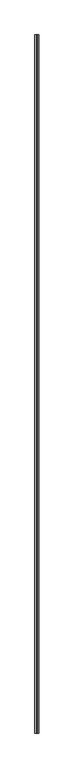
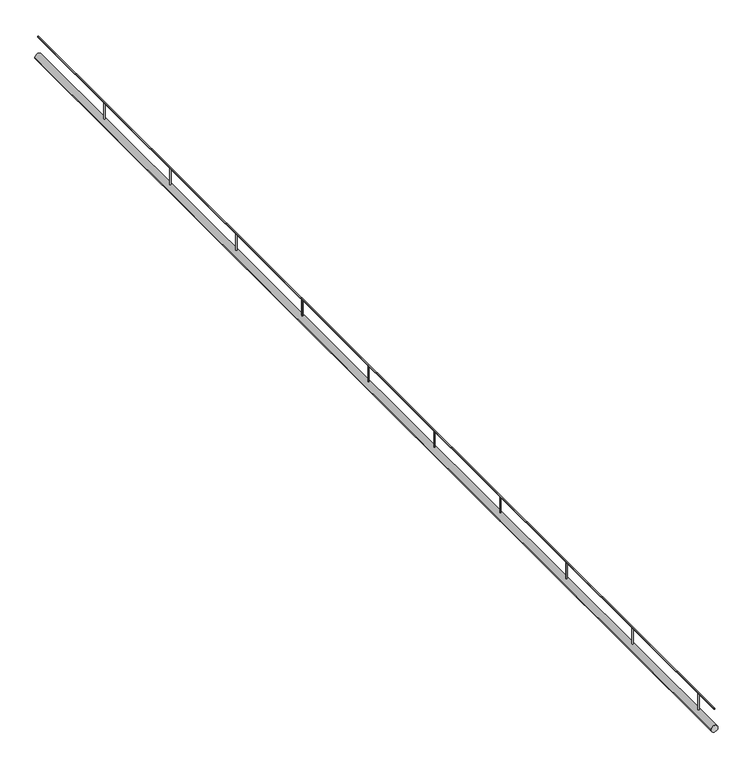
"""IFC4 building model written with IfcOpenShell, lengths in millimetres: railing geometry."""

import ifcopenshell
import ifcopenshell.guid

model = None  # the IFC model being written
_history = None  # IfcOwnerHistory: only IFC2X3 demands one
_inside = {}  # id of a spatial element -> (the spatial element, [elements in it])
_under = {}  # id of a project, library or spatial element -> (it, [spatial elements below it])
_declared = {}  # id of a project -> (the project, [libraries it declares])
_typed = {}  # id of a type object -> (the type object, [elements of that type])
_made_of = {}  # id of a material, layer set ... -> (it, [elements and type objects made of it])


def new_model(schema):
    """Start an empty IFC model of exactly this schema.

    Asked for "IFC4X3", IfcOpenShell would pick the latest addendum, in which some entities
    have other attributes; the version numbers below select the first issue.
    IFC2X3 requires an IfcOwnerHistory on every rooted entity: one is made here for all.
    """
    global model, _history
    if schema == "IFC4X3":
        model = ifcopenshell.file(schema_version=(4, 3, 0, 0))
    else:
        model = ifcopenshell.file(schema=schema)
    _inside.clear()
    _under.clear()
    _declared.clear()
    _typed.clear()
    _made_of.clear()
    _history = None
    if model.schema == "IFC2X3":
        org = make("IfcOrganization", Name="unknown")
        user = make(
            "IfcPersonAndOrganization",
            ThePerson=make("IfcPerson", FamilyName="unknown"),
            TheOrganization=org,
        )
        app = make(
            "IfcApplication",
            ApplicationDeveloper=org,
            Version="unknown",
            ApplicationFullName="unknown",
            ApplicationIdentifier="unknown",
        )
        _history = make(
            "IfcOwnerHistory",
            OwningUser=user,
            OwningApplication=app,
            ChangeAction="ADDED",
            CreationDate=0,
        )
    return model


def make(cls, **values):
    """One entity of the class cls with the attributes given. An attribute that is None is left unset."""
    return model.create_entity(
        cls, **{name: value for name, value in values.items() if value is not None}
    )


def rooted(cls, **values):
    """An entity with a GlobalId (a new one), such as an element, a storey or a relation."""
    return make(cls, GlobalId=ifcopenshell.guid.new(), OwnerHistory=_history, **values)


def si_unit(unit_type, name, prefix=None):
    """IfcSIUnit, for example si_unit("LENGTHUNIT", "METRE", prefix="MILLI")."""
    return make("IfcSIUnit", UnitType=unit_type, Prefix=prefix, Name=name)


def assignment(units):
    """IfcUnitAssignment: the units of a project."""
    return None if units is None else make("IfcUnitAssignment", Units=units)


def point(xyz):
    """IfcCartesianPoint."""
    return None if xyz is None else make("IfcCartesianPoint", Coordinates=xyz)


def direction(xyz):
    """IfcDirection."""
    return None if xyz is None else make("IfcDirection", DirectionRatios=xyz)


def frame(location, z_axis=None, x_axis=None):
    """IfcAxis2Placement3D, a coordinate frame: its origin and axes. An axis left out is left unset."""
    return make(
        "IfcAxis2Placement3D",
        Location=point(location),
        Axis=direction(z_axis),
        RefDirection=direction(x_axis),
    )


def frame_2d(location, x_axis=None):
    """IfcAxis2Placement2D, a coordinate frame in the plane: its origin and x axis."""
    return make(
        "IfcAxis2Placement2D", Location=point(location), RefDirection=direction(x_axis)
    )


def origin():
    """The frame at (0, 0, 0) with its axes left unset."""
    return frame((0.0, 0.0, 0.0))


def place(relative_to, where):
    """IfcLocalPlacement: puts the frame where relative to a parent placement (None: the world)."""
    return make(
        "IfcLocalPlacement", PlacementRelTo=relative_to, RelativePlacement=where
    )


def context(
    kind, dimensions, precision=None, world=None, true_north=None, identifier=None
):
    """IfcGeometricRepresentationContext, for example the 3D "Model" context."""
    return make(
        "IfcGeometricRepresentationContext",
        ContextIdentifier=identifier,
        ContextType=kind,
        CoordinateSpaceDimension=dimensions,
        Precision=precision,
        WorldCoordinateSystem=world,
        TrueNorth=true_north,
    )


def project(units=None, contexts=None):
    """IfcProject with its units and contexts."""
    return rooted(
        "IfcProject",
        Name="project",
        RepresentationContexts=contexts,
        UnitsInContext=assignment(units),
    )


def spatial(cls, under=None, at=None, **own):
    """A site, building, storey or space (cls), placed at a placement, below another one or the project."""
    s = rooted(cls, ObjectPlacement=at, **own)
    if under is not None:
        _under.setdefault(under.id(), (under, []))[1].append(s)
    return s


def circle_curve(where, radius):
    """IfcCircle in the frame where."""
    return make("IfcCircle", Position=where, Radius=radius)


def trimmed(basis, trim1, trim2, sense, master):
    """IfcTrimmedCurve: the piece of a basis curve between two trims."""
    return make(
        "IfcTrimmedCurve",
        BasisCurve=basis,
        Trim1=trim1,
        Trim2=trim2,
        SenseAgreement=sense,
        MasterRepresentation=master,
    )


def segment(curve, same_sense, transition):
    """IfcCompositeCurveSegment."""
    return make(
        "IfcCompositeCurveSegment",
        Transition=transition,
        SameSense=same_sense,
        ParentCurve=curve,
    )


def composite_curve(segments, self_intersect=None):
    """IfcCompositeCurve: segments joined end to end."""
    return make("IfcCompositeCurve", Segments=segments, SelfIntersect=self_intersect)


def outline(outer, holes=None, kind="AREA"):
    """IfcArbitraryClosedProfileDef: a profile drawn as a closed curve; with holes, ...WithVoids."""
    if holes is None:
        return make("IfcArbitraryClosedProfileDef", ProfileType=kind, OuterCurve=outer)
    return make(
        "IfcArbitraryProfileDefWithVoids",
        ProfileType=kind,
        OuterCurve=outer,
        InnerCurves=holes,
    )


def extrude(swept, where, along, depth):
    """IfcExtrudedAreaSolid: the profile swept, set in the frame where, extruded along a direction by depth."""
    return make(
        "IfcExtrudedAreaSolid",
        SweptArea=swept,
        Position=where,
        ExtrudedDirection=direction(along),
        Depth=depth,
    )


def shape(context_of_items, identifier, shape_type, items):
    """IfcShapeRepresentation: the items that make up one representation, for example the "Body"."""
    return make(
        "IfcShapeRepresentation",
        ContextOfItems=context_of_items,
        RepresentationIdentifier=identifier,
        RepresentationType=shape_type,
        Items=items,
    )


def source(mapping_origin, context_of_items, identifier, shape_type, items):
    """IfcRepresentationMap: a shape defined once, which mapped items show again and again."""
    return make(
        "IfcRepresentationMap",
        MappingOrigin=mapping_origin,
        MappedRepresentation=shape(context_of_items, identifier, shape_type, items),
    )


def transform(
    local_origin,
    x_axis=None,
    y_axis=None,
    z_axis=None,
    scale=None,
    scale2=None,
    scale3=None,
    uniform=True,
):
    """IfcCartesianTransformationOperator3D, or its non-uniform kind. x_axis, y_axis, z_axis: its Axis1, 2, 3."""
    if uniform:
        return make(
            "IfcCartesianTransformationOperator3D",
            Axis1=direction(x_axis),
            Axis2=direction(y_axis),
            LocalOrigin=point(local_origin),
            Scale=scale,
            Axis3=direction(z_axis),
        )
    return make(
        "IfcCartesianTransformationOperator3DnonUniform",
        Axis1=direction(x_axis),
        Axis2=direction(y_axis),
        LocalOrigin=point(local_origin),
        Scale=scale,
        Axis3=direction(z_axis),
        Scale2=scale2,
        Scale3=scale3,
    )


def mapped(mapping_source, mapping_target):
    """IfcMappedItem: shows the shape of a source again, moved by a transform."""
    return make(
        "IfcMappedItem", MappingSource=mapping_source, MappingTarget=mapping_target
    )


def made_of(thing, what):
    """Note that an element or type object is made of a material, layer set ...; save() writes the relation."""
    if what is not None:
        _made_of.setdefault(what.id(), (what, []))[1].append(thing)
    return thing


def element(
    cls,
    number,
    at=None,
    inside=None,
    cuts=None,
    type_object=None,
    material=None,
    context=None,
    identifier="Body",
    shape_type=None,
    held_by="IfcProductDefinitionShape",
    body=None,
    shapes=None,
    **own,
):
    """One element of the class cls, such as IfcWall. Its Tag is "e" and its number.

    at: its placement. inside: the storey or other place that contains it. cuts: it is an
    opening in that element (IfcRelVoidsElement). A single representation is given by context,
    identifier, shape_type and body (its items); several are given by shapes. held_by: the class
    of the entity that holds the representations. save() writes the other relations.
    """
    e = rooted(cls, Tag="e%d" % number, ObjectPlacement=at, **own)
    if body is not None:
        shapes = [shape(context, identifier, shape_type, body)]
    if shapes is not None:
        e.Representation = make(held_by, Representations=shapes)
    if inside is not None:
        _inside.setdefault(inside.id(), (inside, []))[1].append(e)
    if cuts is not None:
        rooted(
            "IfcRelVoidsElement", RelatingBuildingElement=cuts, RelatedOpeningElement=e
        )
    if type_object is not None:
        _typed.setdefault(type_object.id(), (type_object, []))[1].append(e)
    return made_of(e, material)


def aggregate(whole, parts):
    """IfcRelAggregates: a whole, such as a stair, and the parts it consists of."""
    return rooted("IfcRelAggregates", RelatingObject=whole, RelatedObjects=parts)


def save(model, path):
    """Write the relations noted so far, then the file.

    IfcRelAggregates (storeys below a building ...), IfcRelContainedInSpatialStructure (elements
    in a storey), IfcRelDefinesByType, IfcRelAssociatesMaterial and IfcRelDeclares: one each for
    every whole, place, type object, material and project.
    """
    for whole, parts in _under.values():
        aggregate(whole, parts)
    for where, things in _inside.values():
        rooted(
            "IfcRelContainedInSpatialStructure",
            RelatedElements=things,
            RelatingStructure=where,
        )
    for kind, things in _typed.values():
        rooted("IfcRelDefinesByType", RelatedObjects=things, RelatingType=kind)
    for what, things in _made_of.values():
        rooted("IfcRelAssociatesMaterial", RelatedObjects=things, RelatingMaterial=what)
    for by, libraries in _declared.values():
        rooted("IfcRelDeclares", RelatingContext=by, RelatedDefinitions=libraries)
    model.write(path)


def railing_df406124(model_context):
    return source(origin(), model_context, "Body", "SweptSolid", [
        extrude(outline(composite_curve([segment(trimmed(circle_curve(frame_2d((2505.0, -9899.2023526)), 15.0), [point((2505.0, -9884.2023526))], [point((2505.0, -9914.2023526))], False, "CARTESIAN"), True, "CONTINUOUS"), segment(trimmed(circle_curve(frame_2d((2505.0, -9899.2023526)), 15.0), [point((2505.0, -9914.2023526))], [point((2505.0, -9884.2023526))], False, "CARTESIAN"), True, "CONTINUOUS")], self_intersect=False)), frame((0.0, 30196.8064288, 0.0), z_axis=(0.0, 1.0, 0.0), x_axis=(0.0, 0.0, 1.0)), (0.0, 0.0, 1.0), 5120.0),
        extrude(outline(composite_curve([segment(trimmed(circle_curve(frame_2d((2597.5, -9899.2023526)), 2.5), [point((2597.5, -9896.7023526))], [point((2597.5, -9901.7023526))], False, "CARTESIAN"), True, "CONTINUOUS"), segment(trimmed(circle_curve(frame_2d((2597.5, -9899.2023526)), 2.5), [point((2597.5, -9901.7023526))], [point((2597.5, -9896.7023526))], False, "CARTESIAN"), True, "CONTINUOUS")], self_intersect=False)), frame((0.0, 30196.8064288, 0.0), z_axis=(0.0, 1.0, 0.0), x_axis=(0.0, 0.0, 1.0)), (0.0, 0.0, 1.0), 5120.0),
        extrude(outline(composite_curve([segment(trimmed(circle_curve(frame_2d((-9899.2023526, 30316.8064288)), 2.5), [point((-9896.7023526, 30316.8064288))], [point((-9901.7023526, 30316.8064288))], False, "CARTESIAN"), True, "CONTINUOUS"), segment(trimmed(circle_curve(frame_2d((-9899.2023526, 30316.8064288)), 2.5), [point((-9901.7023526, 30316.8064288))], [point((-9896.7023526, 30316.8064288))], False, "CARTESIAN"), True, "CONTINUOUS")], self_intersect=False)), frame((0.0, 0.0, 2520.0), z_axis=(0.0, 0.0, 1.0), x_axis=(1.0, 0.0, 0.0)), (0.0, 0.0, 1.0), 75.0),
        extrude(outline(composite_curve([segment(trimmed(circle_curve(frame_2d((-9899.2023526, 30816.8064288)), 2.5), [point((-9896.7023526, 30816.8064288))], [point((-9901.7023526, 30816.8064288))], False, "CARTESIAN"), True, "CONTINUOUS"), segment(trimmed(circle_curve(frame_2d((-9899.2023526, 30816.8064288)), 2.5), [point((-9901.7023526, 30816.8064288))], [point((-9896.7023526, 30816.8064288))], False, "CARTESIAN"), True, "CONTINUOUS")], self_intersect=False)), frame((0.0, 0.0, 2520.0), z_axis=(0.0, 0.0, 1.0), x_axis=(1.0, 0.0, 0.0)), (0.0, 0.0, 1.0), 75.0),
        extrude(outline(composite_curve([segment(trimmed(circle_curve(frame_2d((-9899.2023526, 31316.8064288)), 2.5), [point((-9896.7023526, 31316.8064288))], [point((-9901.7023526, 31316.8064288))], False, "CARTESIAN"), True, "CONTINUOUS"), segment(trimmed(circle_curve(frame_2d((-9899.2023526, 31316.8064288)), 2.5), [point((-9901.7023526, 31316.8064288))], [point((-9896.7023526, 31316.8064288))], False, "CARTESIAN"), True, "CONTINUOUS")], self_intersect=False)), frame((0.0, 0.0, 2520.0), z_axis=(0.0, 0.0, 1.0), x_axis=(1.0, 0.0, 0.0)), (0.0, 0.0, 1.0), 75.0),
        extrude(outline(composite_curve([segment(trimmed(circle_curve(frame_2d((-9899.2023526, 31816.8064288)), 2.5), [point((-9896.7023526, 31816.8064288))], [point((-9901.7023526, 31816.8064288))], False, "CARTESIAN"), True, "CONTINUOUS"), segment(trimmed(circle_curve(frame_2d((-9899.2023526, 31816.8064288)), 2.5), [point((-9901.7023526, 31816.8064288))], [point((-9896.7023526, 31816.8064288))], False, "CARTESIAN"), True, "CONTINUOUS")], self_intersect=False)), frame((0.0, 0.0, 2520.0), z_axis=(0.0, 0.0, 1.0), x_axis=(1.0, 0.0, 0.0)), (0.0, 0.0, 1.0), 75.0),
        extrude(outline(composite_curve([segment(trimmed(circle_curve(frame_2d((-9899.2023526, 32316.8064288)), 2.5), [point((-9896.7023526, 32316.8064288))], [point((-9901.7023526, 32316.8064288))], False, "CARTESIAN"), True, "CONTINUOUS"), segment(trimmed(circle_curve(frame_2d((-9899.2023526, 32316.8064288)), 2.5), [point((-9901.7023526, 32316.8064288))], [point((-9896.7023526, 32316.8064288))], False, "CARTESIAN"), True, "CONTINUOUS")], self_intersect=False)), frame((0.0, 0.0, 2520.0), z_axis=(0.0, 0.0, 1.0), x_axis=(1.0, 0.0, 0.0)), (0.0, 0.0, 1.0), 75.0),
        extrude(outline(composite_curve([segment(trimmed(circle_curve(frame_2d((-9899.2023526, 32816.8064288)), 2.5), [point((-9896.7023526, 32816.8064288))], [point((-9901.7023526, 32816.8064288))], False, "CARTESIAN"), True, "CONTINUOUS"), segment(trimmed(circle_curve(frame_2d((-9899.2023526, 32816.8064288)), 2.5), [point((-9901.7023526, 32816.8064288))], [point((-9896.7023526, 32816.8064288))], False, "CARTESIAN"), True, "CONTINUOUS")], self_intersect=False)), frame((0.0, 0.0, 2520.0), z_axis=(0.0, 0.0, 1.0), x_axis=(1.0, 0.0, 0.0)), (0.0, 0.0, 1.0), 75.0),
        extrude(outline(composite_curve([segment(trimmed(circle_curve(frame_2d((-9899.2023526, 33316.8064288)), 2.5), [point((-9896.7023526, 33316.8064288))], [point((-9901.7023526, 33316.8064288))], False, "CARTESIAN"), True, "CONTINUOUS"), segment(trimmed(circle_curve(frame_2d((-9899.2023526, 33316.8064288)), 2.5), [point((-9901.7023526, 33316.8064288))], [point((-9896.7023526, 33316.8064288))], False, "CARTESIAN"), True, "CONTINUOUS")], self_intersect=False)), frame((0.0, 0.0, 2520.0), z_axis=(0.0, 0.0, 1.0), x_axis=(1.0, 0.0, 0.0)), (0.0, 0.0, 1.0), 75.0),
        extrude(outline(composite_curve([segment(trimmed(circle_curve(frame_2d((-9899.2023526, 33816.8064288)), 2.5), [point((-9896.7023526, 33816.8064288))], [point((-9901.7023526, 33816.8064288))], False, "CARTESIAN"), True, "CONTINUOUS"), segment(trimmed(circle_curve(frame_2d((-9899.2023526, 33816.8064288)), 2.5), [point((-9901.7023526, 33816.8064288))], [point((-9896.7023526, 33816.8064288))], False, "CARTESIAN"), True, "CONTINUOUS")], self_intersect=False)), frame((0.0, 0.0, 2520.0), z_axis=(0.0, 0.0, 1.0), x_axis=(1.0, 0.0, 0.0)), (0.0, 0.0, 1.0), 75.0),
        extrude(outline(composite_curve([segment(trimmed(circle_curve(frame_2d((-9899.2023526, 34316.8064288)), 2.5), [point((-9896.7023526, 34316.8064288))], [point((-9901.7023526, 34316.8064288))], False, "CARTESIAN"), True, "CONTINUOUS"), segment(trimmed(circle_curve(frame_2d((-9899.2023526, 34316.8064288)), 2.5), [point((-9901.7023526, 34316.8064288))], [point((-9896.7023526, 34316.8064288))], False, "CARTESIAN"), True, "CONTINUOUS")], self_intersect=False)), frame((0.0, 0.0, 2520.0), z_axis=(0.0, 0.0, 1.0), x_axis=(1.0, 0.0, 0.0)), (0.0, 0.0, 1.0), 75.0),
        extrude(outline(composite_curve([segment(trimmed(circle_curve(frame_2d((-9899.2023526, 34816.8064288)), 2.5), [point((-9896.7023526, 34816.8064288))], [point((-9901.7023526, 34816.8064288))], False, "CARTESIAN"), True, "CONTINUOUS"), segment(trimmed(circle_curve(frame_2d((-9899.2023526, 34816.8064288)), 2.5), [point((-9901.7023526, 34816.8064288))], [point((-9896.7023526, 34816.8064288))], False, "CARTESIAN"), True, "CONTINUOUS")], self_intersect=False)), frame((0.0, 0.0, 2520.0), z_axis=(0.0, 0.0, 1.0), x_axis=(1.0, 0.0, 0.0)), (0.0, 0.0, 1.0), 75.0),
    ])


if __name__ == "__main__":
    model = new_model("IFC4")
    model_context = context("Model", 3, world=origin())
    ifc_project = project(units=[si_unit("LENGTHUNIT", "METRE", prefix="MILLI")], contexts=[model_context])
    site = spatial("IfcSite", under=ifc_project)
    building = spatial("IfcBuilding", under=site)
    placement = place(None, origin())
    railing_shape = railing_df406124(model_context)
    element("IfcRailing", 1, at=placement, inside=building, context=model_context, shape_type="MappedRepresentation", body=[
        mapped(railing_shape, transform((0.0, 0.0, 0.0), x_axis=(1.0, 0.0, 0.0), y_axis=(0.0, 1.0, 0.0), z_axis=(0.0, 0.0, 1.0))),
    ])
    save(model, "model.ifc")
